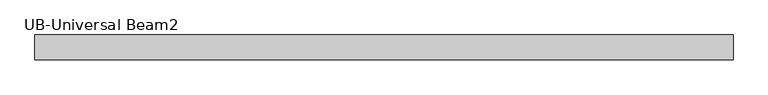
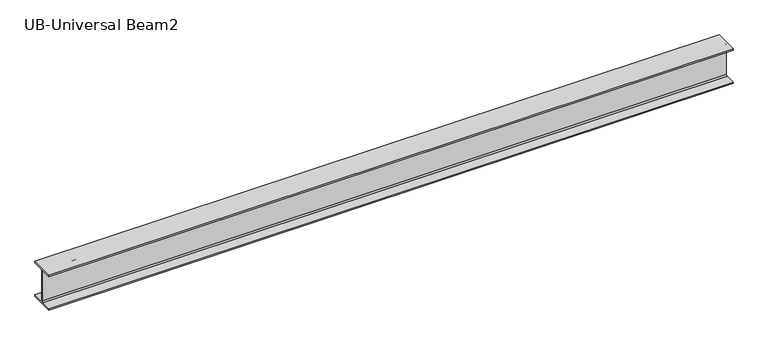
"""IFC4 building model written with IfcOpenShell, lengths in millimetres: beam geometry, UB-Universal Beam2."""

import ifcopenshell
import ifcopenshell.guid

model = None  # the IFC model being written
_history = None  # IfcOwnerHistory: only IFC2X3 demands one
_inside = {}  # id of a spatial element -> (the spatial element, [elements in it])
_under = {}  # id of a project, library or spatial element -> (it, [spatial elements below it])
_declared = {}  # id of a project -> (the project, [libraries it declares])
_typed = {}  # id of a type object -> (the type object, [elements of that type])
_made_of = {}  # id of a material, layer set ... -> (it, [elements and type objects made of it])


def new_model(schema):
    """Start an empty IFC model of exactly this schema.

    Asked for "IFC4X3", IfcOpenShell would pick the latest addendum, in which some entities
    have other attributes; the version numbers below select the first issue.
    IFC2X3 requires an IfcOwnerHistory on every rooted entity: one is made here for all.
    """
    global model, _history
    if schema == "IFC4X3":
        model = ifcopenshell.file(schema_version=(4, 3, 0, 0))
    else:
        model = ifcopenshell.file(schema=schema)
    _inside.clear()
    _under.clear()
    _declared.clear()
    _typed.clear()
    _made_of.clear()
    _history = None
    if model.schema == "IFC2X3":
        org = make("IfcOrganization", Name="unknown")
        user = make(
            "IfcPersonAndOrganization",
            ThePerson=make("IfcPerson", FamilyName="unknown"),
            TheOrganization=org,
        )
        app = make(
            "IfcApplication",
            ApplicationDeveloper=org,
            Version="unknown",
            ApplicationFullName="unknown",
            ApplicationIdentifier="unknown",
        )
        _history = make(
            "IfcOwnerHistory",
            OwningUser=user,
            OwningApplication=app,
            ChangeAction="ADDED",
            CreationDate=0,
        )
    return model


def make(cls, **values):
    """One entity of the class cls with the attributes given. An attribute that is None is left unset."""
    return model.create_entity(
        cls, **{name: value for name, value in values.items() if value is not None}
    )


def rooted(cls, **values):
    """An entity with a GlobalId (a new one), such as an element, a storey or a relation."""
    return make(cls, GlobalId=ifcopenshell.guid.new(), OwnerHistory=_history, **values)


def si_unit(unit_type, name, prefix=None):
    """IfcSIUnit, for example si_unit("LENGTHUNIT", "METRE", prefix="MILLI")."""
    return make("IfcSIUnit", UnitType=unit_type, Prefix=prefix, Name=name)


def assignment(units):
    """IfcUnitAssignment: the units of a project."""
    return None if units is None else make("IfcUnitAssignment", Units=units)


def point(xyz):
    """IfcCartesianPoint."""
    return None if xyz is None else make("IfcCartesianPoint", Coordinates=xyz)


def direction(xyz):
    """IfcDirection."""
    return None if xyz is None else make("IfcDirection", DirectionRatios=xyz)


def frame(location, z_axis=None, x_axis=None):
    """IfcAxis2Placement3D, a coordinate frame: its origin and axes. An axis left out is left unset."""
    return make(
        "IfcAxis2Placement3D",
        Location=point(location),
        Axis=direction(z_axis),
        RefDirection=direction(x_axis),
    )


def frame_2d(location, x_axis=None):
    """IfcAxis2Placement2D, a coordinate frame in the plane: its origin and x axis."""
    return make(
        "IfcAxis2Placement2D", Location=point(location), RefDirection=direction(x_axis)
    )


def origin():
    """The frame at (0, 0, 0) with its axes left unset."""
    return frame((0.0, 0.0, 0.0))


def place(relative_to, where):
    """IfcLocalPlacement: puts the frame where relative to a parent placement (None: the world)."""
    return make(
        "IfcLocalPlacement", PlacementRelTo=relative_to, RelativePlacement=where
    )


def context(
    kind, dimensions, precision=None, world=None, true_north=None, identifier=None
):
    """IfcGeometricRepresentationContext, for example the 3D "Model" context."""
    return make(
        "IfcGeometricRepresentationContext",
        ContextIdentifier=identifier,
        ContextType=kind,
        CoordinateSpaceDimension=dimensions,
        Precision=precision,
        WorldCoordinateSystem=world,
        TrueNorth=true_north,
    )


def project(units=None, contexts=None):
    """IfcProject with its units and contexts."""
    return rooted(
        "IfcProject",
        Name="project",
        RepresentationContexts=contexts,
        UnitsInContext=assignment(units),
    )


def spatial(cls, under=None, at=None, **own):
    """A site, building, storey or space (cls), placed at a placement, below another one or the project."""
    s = rooted(cls, ObjectPlacement=at, **own)
    if under is not None:
        _under.setdefault(under.id(), (under, []))[1].append(s)
    return s


def polyline(points):
    """IfcPolyline through the points."""
    return make("IfcPolyline", Points=[point(p) for p in points])


def circle_curve(where, radius):
    """IfcCircle in the frame where."""
    return make("IfcCircle", Position=where, Radius=radius)


def trimmed(basis, trim1, trim2, sense, master):
    """IfcTrimmedCurve: the piece of a basis curve between two trims."""
    return make(
        "IfcTrimmedCurve",
        BasisCurve=basis,
        Trim1=trim1,
        Trim2=trim2,
        SenseAgreement=sense,
        MasterRepresentation=master,
    )


def segment(curve, same_sense, transition):
    """IfcCompositeCurveSegment."""
    return make(
        "IfcCompositeCurveSegment",
        Transition=transition,
        SameSense=same_sense,
        ParentCurve=curve,
    )


def composite_curve(segments, self_intersect=None):
    """IfcCompositeCurve: segments joined end to end."""
    return make("IfcCompositeCurve", Segments=segments, SelfIntersect=self_intersect)


def outline(outer, holes=None, kind="AREA"):
    """IfcArbitraryClosedProfileDef: a profile drawn as a closed curve; with holes, ...WithVoids."""
    if holes is None:
        return make("IfcArbitraryClosedProfileDef", ProfileType=kind, OuterCurve=outer)
    return make(
        "IfcArbitraryProfileDefWithVoids",
        ProfileType=kind,
        OuterCurve=outer,
        InnerCurves=holes,
    )


def extrude(swept, where, along, depth):
    """IfcExtrudedAreaSolid: the profile swept, set in the frame where, extruded along a direction by depth."""
    return make(
        "IfcExtrudedAreaSolid",
        SweptArea=swept,
        Position=where,
        ExtrudedDirection=direction(along),
        Depth=depth,
    )


def shape(context_of_items, identifier, shape_type, items):
    """IfcShapeRepresentation: the items that make up one representation, for example the "Body"."""
    return make(
        "IfcShapeRepresentation",
        ContextOfItems=context_of_items,
        RepresentationIdentifier=identifier,
        RepresentationType=shape_type,
        Items=items,
    )


def source(mapping_origin, context_of_items, identifier, shape_type, items):
    """IfcRepresentationMap: a shape defined once, which mapped items show again and again."""
    return make(
        "IfcRepresentationMap",
        MappingOrigin=mapping_origin,
        MappedRepresentation=shape(context_of_items, identifier, shape_type, items),
    )


def transform(
    local_origin,
    x_axis=None,
    y_axis=None,
    z_axis=None,
    scale=None,
    scale2=None,
    scale3=None,
    uniform=True,
):
    """IfcCartesianTransformationOperator3D, or its non-uniform kind. x_axis, y_axis, z_axis: its Axis1, 2, 3."""
    if uniform:
        return make(
            "IfcCartesianTransformationOperator3D",
            Axis1=direction(x_axis),
            Axis2=direction(y_axis),
            LocalOrigin=point(local_origin),
            Scale=scale,
            Axis3=direction(z_axis),
        )
    return make(
        "IfcCartesianTransformationOperator3DnonUniform",
        Axis1=direction(x_axis),
        Axis2=direction(y_axis),
        LocalOrigin=point(local_origin),
        Scale=scale,
        Axis3=direction(z_axis),
        Scale2=scale2,
        Scale3=scale3,
    )


def mapped(mapping_source, mapping_target):
    """IfcMappedItem: shows the shape of a source again, moved by a transform."""
    return make(
        "IfcMappedItem", MappingSource=mapping_source, MappingTarget=mapping_target
    )


def made_of(thing, what):
    """Note that an element or type object is made of a material, layer set ...; save() writes the relation."""
    if what is not None:
        _made_of.setdefault(what.id(), (what, []))[1].append(thing)
    return thing


def element(
    cls,
    number,
    at=None,
    inside=None,
    cuts=None,
    type_object=None,
    material=None,
    context=None,
    identifier="Body",
    shape_type=None,
    held_by="IfcProductDefinitionShape",
    body=None,
    shapes=None,
    **own,
):
    """One element of the class cls, such as IfcWall. Its Tag is "e" and its number.

    at: its placement. inside: the storey or other place that contains it. cuts: it is an
    opening in that element (IfcRelVoidsElement). A single representation is given by context,
    identifier, shape_type and body (its items); several are given by shapes. held_by: the class
    of the entity that holds the representations. save() writes the other relations.
    """
    e = rooted(cls, Tag="e%d" % number, ObjectPlacement=at, **own)
    if body is not None:
        shapes = [shape(context, identifier, shape_type, body)]
    if shapes is not None:
        e.Representation = make(held_by, Representations=shapes)
    if inside is not None:
        _inside.setdefault(inside.id(), (inside, []))[1].append(e)
    if cuts is not None:
        rooted(
            "IfcRelVoidsElement", RelatingBuildingElement=cuts, RelatedOpeningElement=e
        )
    if type_object is not None:
        _typed.setdefault(type_object.id(), (type_object, []))[1].append(e)
    return made_of(e, material)


def aggregate(whole, parts):
    """IfcRelAggregates: a whole, such as a stair, and the parts it consists of."""
    return rooted("IfcRelAggregates", RelatingObject=whole, RelatedObjects=parts)


def save(model, path):
    """Write the relations noted so far, then the file.

    IfcRelAggregates (storeys below a building ...), IfcRelContainedInSpatialStructure (elements
    in a storey), IfcRelDefinesByType, IfcRelAssociatesMaterial and IfcRelDeclares: one each for
    every whole, place, type object, material and project.
    """
    for whole, parts in _under.values():
        aggregate(whole, parts)
    for where, things in _inside.values():
        rooted(
            "IfcRelContainedInSpatialStructure",
            RelatedElements=things,
            RelatingStructure=where,
        )
    for kind, things in _typed.values():
        rooted("IfcRelDefinesByType", RelatedObjects=things, RelatingType=kind)
    for what, things in _made_of.values():
        rooted("IfcRelAssociatesMaterial", RelatedObjects=things, RelatingMaterial=what)
    for by, libraries in _declared.values():
        rooted("IfcRelDeclares", RelatingContext=by, RelatedDefinitions=libraries)
    model.write(path)


def ub_universal_beam2_df2df2bd(model_context):
    return source(origin(), model_context, "Body", "SweptSolid", [
        extrude(outline(composite_curve([segment(polyline([(82.5, -114.8), (82.5, -125.0), (-82.5, -125.0), (-82.5, -114.8), (-11.9, -114.8)]), True, "CONTINUOUS"), segment(trimmed(circle_curve(frame_2d((-11.9, -105.9)), 8.9), [point((-11.9, -114.8))], [point((-3.0, -105.9))], True, "CARTESIAN"), True, "CONTINUOUS"), segment(polyline([(-3.0, -105.9), (-3.0, 105.9)]), True, "CONTINUOUS"), segment(trimmed(circle_curve(frame_2d((-11.9, 105.9)), 8.9), [point((-3.0, 105.9))], [point((-11.9, 114.8))], True, "CARTESIAN"), True, "CONTINUOUS"), segment(polyline([(-11.9, 114.8), (-82.5, 114.8), (-82.5, 125.0), (82.5, 125.0), (82.5, 114.8), (11.9, 114.8)]), True, "CONTINUOUS"), segment(trimmed(circle_curve(frame_2d((11.9, 105.9)), 8.9), [point((11.9, 114.8))], [point((3.0, 105.9))], True, "CARTESIAN"), True, "CONTINUOUS"), segment(polyline([(3.0, 105.9), (3.0, -105.9)]), True, "CONTINUOUS"), segment(trimmed(circle_curve(frame_2d((11.9, -105.9)), 8.9), [point((3.0, -105.9))], [point((11.9, -114.8))], True, "CARTESIAN"), True, "CONTINUOUS"), segment(polyline([(11.9, -114.8), (82.5, -114.8)]), True, "CONTINUOUS")], self_intersect=False)), frame((-2333.35, 0.0, 0.0), z_axis=(1.0, 0.0, 0.0), x_axis=(0.0, 1.0, 0.0)), (0.0, 0.0, 1.0), 4666.7),
    ])


if __name__ == "__main__":
    model = new_model("IFC4")
    model_context = context("Model", 3, world=origin())
    ifc_project = project(units=[si_unit("LENGTHUNIT", "METRE", prefix="MILLI")], contexts=[model_context])
    site = spatial("IfcSite", under=ifc_project)
    building = spatial("IfcBuilding", under=site)
    placement = place(None, origin())
    ub_universal_beam2_shape = ub_universal_beam2_df2df2bd(model_context)
    element("IfcBeam", 1, ObjectType="UB-Universal Beam2", at=placement, inside=building, context=model_context, shape_type="MappedRepresentation", body=[
        mapped(ub_universal_beam2_shape, transform((0.0, 0.0, 0.0), x_axis=(1.0, 0.0, 0.0), y_axis=(0.0, 1.0, 0.0), z_axis=(0.0, 0.0, 1.0))),
    ])
    save(model, "model.ifc")
